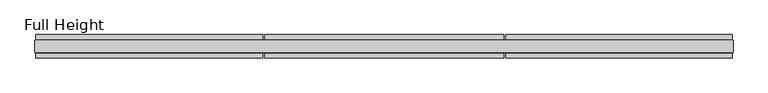
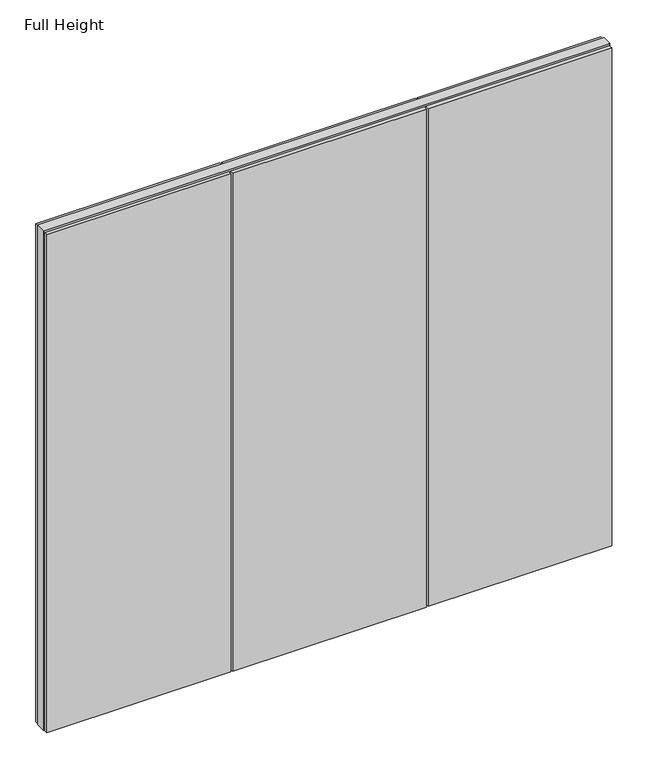
"""IFC4 building model written with IfcOpenShell, lengths in millimetres: plate geometry, Full Height."""

from ifc_helpers import new_model, si_unit, origin, origin_with_axes, place, context, project, spatial, polyline, outline, extrude, source, transform, mapped, element, save


def full_height_5ec0cee6(model_context):
    return source(origin(), model_context, "Body", "SweptSolid", [
        extrude(outline(polyline([(1467.0405, 28.956), (514.1595, 28.956), (514.1595, 49.53), (1467.0405, 49.53), (1467.0405, 28.956)])), origin_with_axes(), (0.0, 0.0, 1.0), 2734.056),
        extrude(outline(polyline([(-501.8405, 49.53), (505.0155, 49.53), (505.0155, 28.956), (-501.8405, 28.956), (-501.8405, 49.53)])), origin_with_axes(), (0.0, 0.0, 1.0), 2734.056),
        extrude(outline(polyline([(-1467.0405, 49.53), (-510.9845, 49.53), (-510.9845, 28.956), (-1467.0405, 28.956), (-1467.0405, 49.53)])), origin_with_axes(), (0.0, 0.0, 1.0), 2734.056),
        extrude(outline(polyline([(1467.0405, -28.956), (1467.0405, -49.53), (514.1595, -49.53), (514.1595, -28.956), (1467.0405, -28.956)])), origin_with_axes(), (0.0, 0.0, 1.0), 2734.056),
        extrude(outline(polyline([(-501.8405, -49.53), (-501.8405, -28.956), (505.0155, -28.956), (505.0155, -49.53), (-501.8405, -49.53)])), origin_with_axes(), (0.0, 0.0, 1.0), 2734.056),
        extrude(outline(polyline([(-1467.0405, -49.53), (-1467.0405, -28.956), (-510.9845, -28.956), (-510.9845, -49.53), (-1467.0405, -49.53)])), origin_with_axes(), (0.0, 0.0, 1.0), 2734.056),
        extrude(outline(polyline([(1467.0405, -25.146), (1467.0405, -26.67), (-1467.0405, -26.67), (-1467.0405, -25.146), (-1471.6125, -25.146), (-1471.6125, 25.146), (-1467.0405, 25.146), (-1467.0405, 26.67), (1467.0405, 26.67), (1467.0405, 25.146), (1471.6125, 25.146), (1471.6125, -25.146), (1467.0405, -25.146)])), origin_with_axes(), (0.0, 0.0, 1.0), 2743.2),
    ])


if __name__ == "__main__":
    model = new_model("IFC4")
    model_context = context("Model", 3, world=origin())
    ifc_project = project(units=[si_unit("LENGTHUNIT", "METRE", prefix="MILLI")], contexts=[model_context])
    site = spatial("IfcSite", under=ifc_project)
    building = spatial("IfcBuilding", under=site)
    placement = place(None, origin())
    full_height_shape = full_height_5ec0cee6(model_context)
    element("IfcPlate", 1, ObjectType="Full Height", at=placement, inside=building, context=model_context, shape_type="MappedRepresentation", body=[
        mapped(full_height_shape, transform((0.0, 0.0, 0.0), x_axis=(1.0, 0.0, 0.0), y_axis=(0.0, 1.0, 0.0), z_axis=(0.0, 0.0, 1.0))),
    ])
    save(model, "model.ifc")
